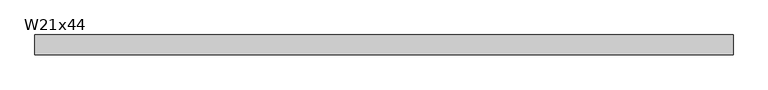
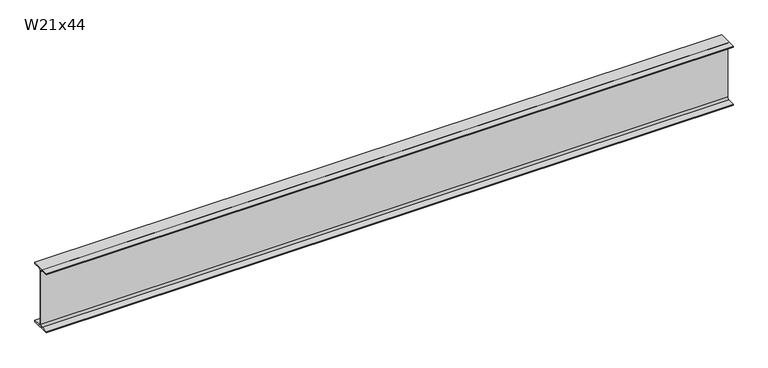
"""IFC4 building model written with IfcOpenShell, lengths in millimetres: beam geometry, W21x44."""

from ifc_helpers import new_model, si_unit, point, frame, frame_2d, origin, place, context, project, spatial, polyline, circle_curve, trimmed, segment, composite_curve, outline, extrude, source, transform, mapped, element, save


def w21x44_23f20e0a(model_context):
    return source(origin(), model_context, "Body", "SweptSolid", [
        extrude(outline(composite_curve([segment(polyline([(82.55, -251.46), (82.55, -262.89), (-82.55, -262.89), (-82.55, -251.46), (-21.59, -251.46)]), True, "CONTINUOUS"), segment(trimmed(circle_curve(frame_2d((-21.59, -234.315)), 17.145), [point((-21.59, -251.46))], [point((-4.445, -234.315))], True, "CARTESIAN"), True, "CONTINUOUS"), segment(polyline([(-4.445, -234.315), (-4.445, 234.315)]), True, "CONTINUOUS"), segment(trimmed(circle_curve(frame_2d((-21.59, 234.315)), 17.145), [point((-4.445, 234.315))], [point((-21.59, 251.46))], True, "CARTESIAN"), True, "CONTINUOUS"), segment(polyline([(-21.59, 251.46), (-82.55, 251.46), (-82.55, 262.89), (82.55, 262.89), (82.55, 251.46), (21.59, 251.46)]), True, "CONTINUOUS"), segment(trimmed(circle_curve(frame_2d((21.59, 234.315)), 17.145), [point((21.59, 251.46))], [point((4.445, 234.315))], True, "CARTESIAN"), True, "CONTINUOUS"), segment(polyline([(4.445, 234.315), (4.445, -234.315)]), True, "CONTINUOUS"), segment(trimmed(circle_curve(frame_2d((21.59, -234.315)), 17.145), [point((4.445, -234.315))], [point((21.59, -251.46))], True, "CARTESIAN"), True, "CONTINUOUS"), segment(polyline([(21.59, -251.46), (82.55, -251.46)]), True, "CONTINUOUS")], self_intersect=False)), frame((-2882.9, 0.0, 0.0), z_axis=(1.0, 0.0, 0.0), x_axis=(0.0, 1.0, 0.0)), (0.0, 0.0, 1.0), 5764.53),
    ])


if __name__ == "__main__":
    model = new_model("IFC4")
    model_context = context("Model", 3, world=origin())
    ifc_project = project(units=[si_unit("LENGTHUNIT", "METRE", prefix="MILLI")], contexts=[model_context])
    site = spatial("IfcSite", under=ifc_project)
    building = spatial("IfcBuilding", under=site)
    placement = place(None, origin())
    w21x44_shape = w21x44_23f20e0a(model_context)
    element("IfcBeam", 1, ObjectType="W21x44", at=placement, inside=building, context=model_context, shape_type="MappedRepresentation", body=[
        mapped(w21x44_shape, transform((0.0, 0.0, 0.0), x_axis=(1.0, 0.0, 0.0), y_axis=(0.0, 1.0, 0.0), z_axis=(0.0, 0.0, 1.0))),
    ])
    save(model, "model.ifc")
